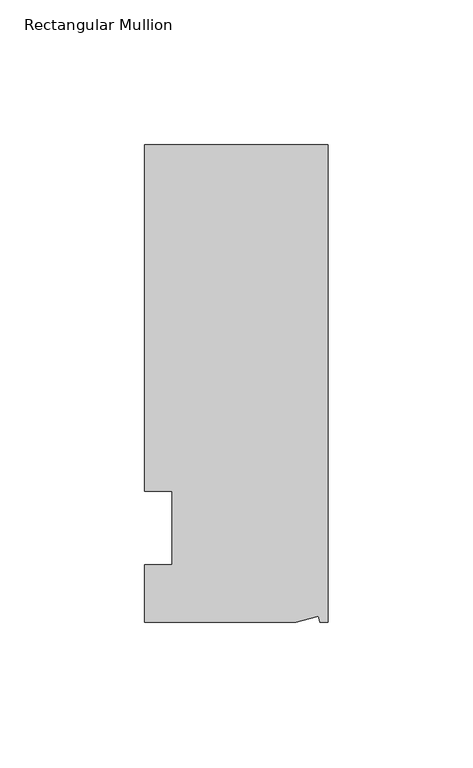
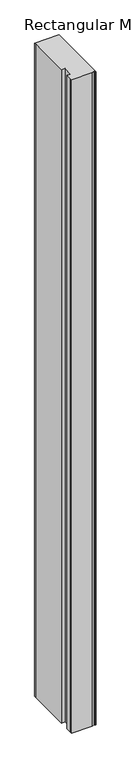
"""IFC4 building model written with IfcOpenShell, lengths in millimetres: member geometry, Rectangular Mullion."""

from ifc_helpers import new_model, si_unit, frame, origin, place, context, project, spatial, polyline, outline, extrude, source, transform, mapped, element, save


def rectangular_mullion_7d016d84(model_context):
    return source(origin(), model_context, "Body", "SweptSolid", [
        extrude(outline(polyline([(0.0, 132.5561012), (0.0, -32.5438988), (-2.7616541, -32.5438988), (-3.3341886, -30.4622958), (-11.121847, -32.5438988), (-63.5, -32.5438988), (-63.5, -26.1938988), (-63.5, -12.5945801), (-53.975, -12.5945801), (-53.975, 12.8054199), (-63.5, 12.8054199), (-63.5, 126.2061012), (-63.5, 132.5561012), (0.0, 132.5561012)])), frame((0.0, 0.0, -1786.4666667), z_axis=(0.0, 0.0, 1.0), x_axis=(1.0, 0.0, 0.0)), (0.0, 0.0, 1.0), 1786.4666667),
    ])


if __name__ == "__main__":
    model = new_model("IFC4")
    model_context = context("Model", 3, world=origin())
    ifc_project = project(units=[si_unit("LENGTHUNIT", "METRE", prefix="MILLI")], contexts=[model_context])
    site = spatial("IfcSite", under=ifc_project)
    building = spatial("IfcBuilding", under=site)
    placement = place(None, origin())
    rectangular_mullion_shape = rectangular_mullion_7d016d84(model_context)
    element("IfcMember", 1, ObjectType="Rectangular Mullion", at=placement, inside=building, context=model_context, shape_type="MappedRepresentation", body=[
        mapped(rectangular_mullion_shape, transform((0.0, 0.0, 0.0), x_axis=(1.0, 0.0, 0.0), y_axis=(0.0, 1.0, 0.0), z_axis=(0.0, 0.0, 1.0))),
    ])
    save(model, "model.ifc")
